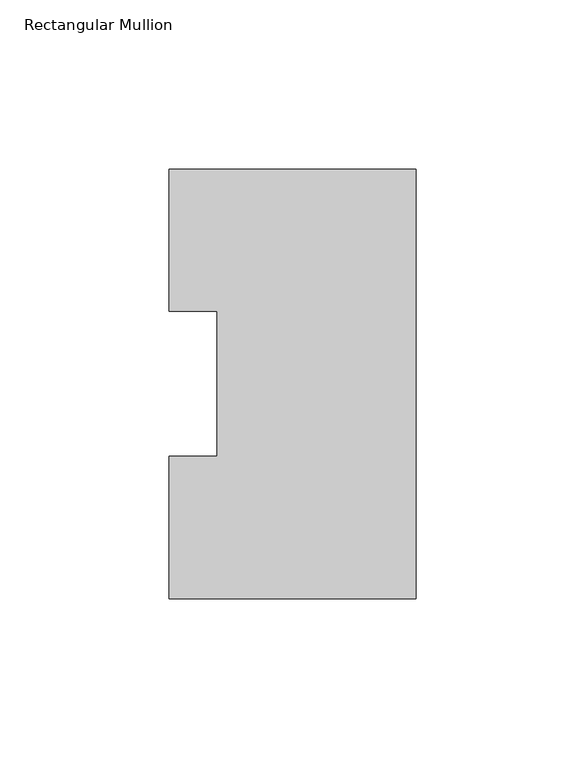
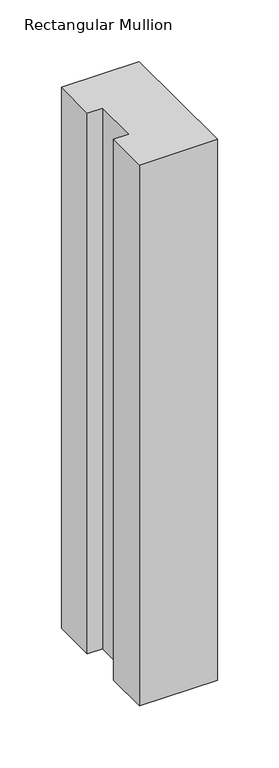
"""IFC4 building model written with IfcOpenShell, lengths in millimetres: member geometry, Rectangular Mullion."""

from ifc_helpers import new_model, si_unit, frame, origin, place, context, project, spatial, polyline, outline, extrude, source, transform, mapped, element, save


def rectangular_mullion_00fd4739(model_context):
    return source(origin(), model_context, "Body", "SweptSolid", [
        extrude(outline(polyline([(0.0, 127.006348), (0.0, 0.0063465), (-73.025, 0.0063465), (-73.025, 42.0814491), (-58.7375, 42.0814491), (-58.7375, 84.93125), (-73.025, 84.93125), (-73.025, 127.006348), (0.0, 127.006348)])), frame((0.0, 0.0, -536.575), z_axis=(0.0, 0.0, 1.0), x_axis=(1.0, 0.0, 0.0)), (0.0, 0.0, 1.0), 536.575),
    ])


if __name__ == "__main__":
    model = new_model("IFC4")
    model_context = context("Model", 3, world=origin())
    ifc_project = project(units=[si_unit("LENGTHUNIT", "METRE", prefix="MILLI")], contexts=[model_context])
    site = spatial("IfcSite", under=ifc_project)
    building = spatial("IfcBuilding", under=site)
    placement = place(None, origin())
    rectangular_mullion_shape = rectangular_mullion_00fd4739(model_context)
    element("IfcMember", 1, ObjectType="Rectangular Mullion", at=placement, inside=building, context=model_context, shape_type="MappedRepresentation", body=[
        mapped(rectangular_mullion_shape, transform((0.0, 0.0, 0.0), x_axis=(1.0, 0.0, 0.0), y_axis=(0.0, 1.0, 0.0), z_axis=(0.0, 0.0, 1.0))),
    ])
    save(model, "model.ifc")
